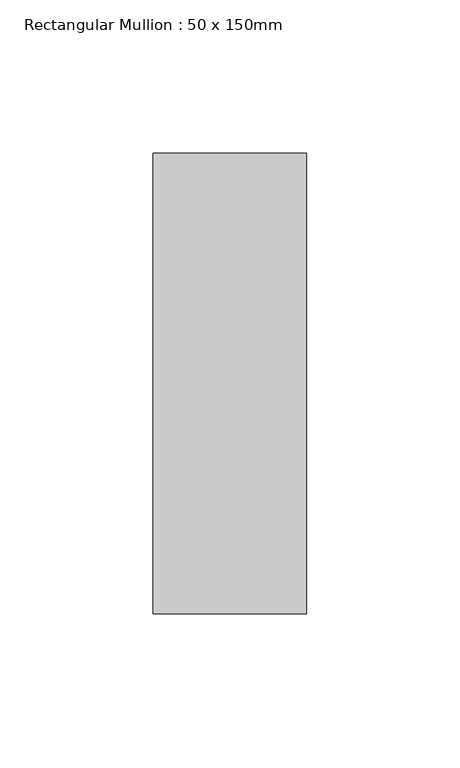
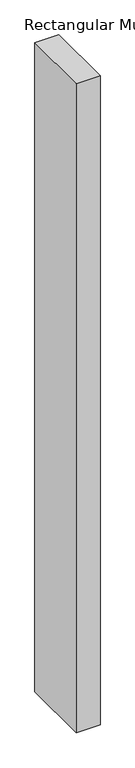
"""IFC4 building model written with IfcOpenShell, lengths in millimetres: member geometry, Rectangular Mullion : 50 x 150mm."""

from ifc_helpers import new_model, si_unit, frame, origin, place, context, project, spatial, polyline, outline, extrude, source, transform, mapped, element, save


def rectangular_mullion_50_x_150mm_12e16891(model_context):
    return source(origin(), model_context, "Body", "SweptSolid", [
        extrude(outline(polyline([(25.0, 75.0), (25.0, -75.0), (-25.0, -75.0), (-25.0, 75.0), (25.0, 75.0)])), frame((0.0, 0.0, -1439.183201), z_axis=(0.0, 0.0, 1.0), x_axis=(1.0, 0.0, 0.0)), (0.0, 0.0, 1.0), 1439.183201),
    ])


if __name__ == "__main__":
    model = new_model("IFC4")
    model_context = context("Model", 3, world=origin())
    ifc_project = project(units=[si_unit("LENGTHUNIT", "METRE", prefix="MILLI")], contexts=[model_context])
    site = spatial("IfcSite", under=ifc_project)
    building = spatial("IfcBuilding", under=site)
    placement = place(None, origin())
    rectangular_mullion_50_x_150mm_shape = rectangular_mullion_50_x_150mm_12e16891(model_context)
    element("IfcMember", 1, ObjectType="Rectangular Mullion : 50 x 150mm", at=placement, inside=building, context=model_context, shape_type="MappedRepresentation", body=[
        mapped(rectangular_mullion_50_x_150mm_shape, transform((0.0, 0.0, 0.0), x_axis=(1.0, 0.0, 0.0), y_axis=(0.0, 1.0, 0.0), z_axis=(0.0, 0.0, 1.0))),
    ])
    save(model, "model.ifc")
